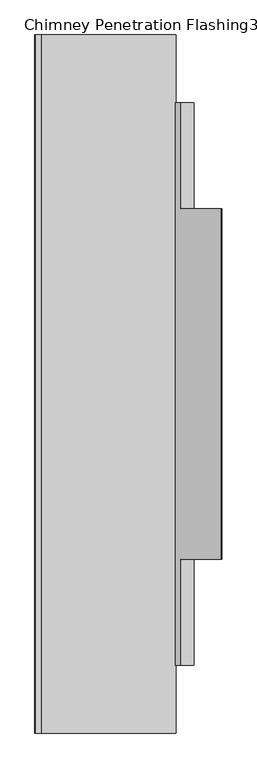
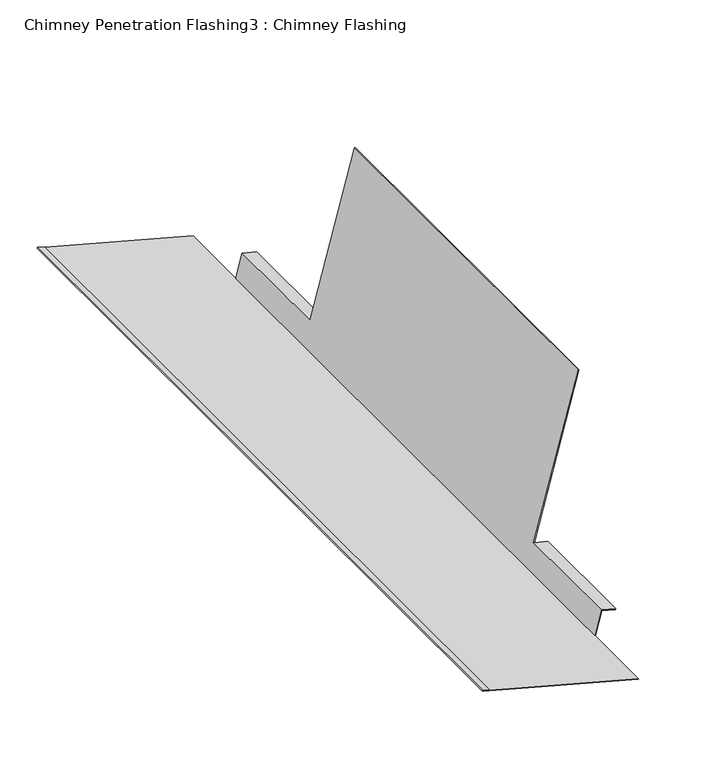
"""IFC4 building model written with IfcOpenShell, lengths in millimetres: proxy geometry, Chimney Penetration Flashing3 : Chimney Flashing."""

import ifcopenshell
import ifcopenshell.guid

model = None  # the IFC model being written
_history = None  # IfcOwnerHistory: only IFC2X3 demands one
_inside = {}  # id of a spatial element -> (the spatial element, [elements in it])
_under = {}  # id of a project, library or spatial element -> (it, [spatial elements below it])
_declared = {}  # id of a project -> (the project, [libraries it declares])
_typed = {}  # id of a type object -> (the type object, [elements of that type])
_made_of = {}  # id of a material, layer set ... -> (it, [elements and type objects made of it])


def new_model(schema):
    """Start an empty IFC model of exactly this schema.

    Asked for "IFC4X3", IfcOpenShell would pick the latest addendum, in which some entities
    have other attributes; the version numbers below select the first issue.
    IFC2X3 requires an IfcOwnerHistory on every rooted entity: one is made here for all.
    """
    global model, _history
    if schema == "IFC4X3":
        model = ifcopenshell.file(schema_version=(4, 3, 0, 0))
    else:
        model = ifcopenshell.file(schema=schema)
    _inside.clear()
    _under.clear()
    _declared.clear()
    _typed.clear()
    _made_of.clear()
    _history = None
    if model.schema == "IFC2X3":
        org = make("IfcOrganization", Name="unknown")
        user = make(
            "IfcPersonAndOrganization",
            ThePerson=make("IfcPerson", FamilyName="unknown"),
            TheOrganization=org,
        )
        app = make(
            "IfcApplication",
            ApplicationDeveloper=org,
            Version="unknown",
            ApplicationFullName="unknown",
            ApplicationIdentifier="unknown",
        )
        _history = make(
            "IfcOwnerHistory",
            OwningUser=user,
            OwningApplication=app,
            ChangeAction="ADDED",
            CreationDate=0,
        )
    return model


def make(cls, **values):
    """One entity of the class cls with the attributes given. An attribute that is None is left unset."""
    return model.create_entity(
        cls, **{name: value for name, value in values.items() if value is not None}
    )


def rooted(cls, **values):
    """An entity with a GlobalId (a new one), such as an element, a storey or a relation."""
    return make(cls, GlobalId=ifcopenshell.guid.new(), OwnerHistory=_history, **values)


def si_unit(unit_type, name, prefix=None):
    """IfcSIUnit, for example si_unit("LENGTHUNIT", "METRE", prefix="MILLI")."""
    return make("IfcSIUnit", UnitType=unit_type, Prefix=prefix, Name=name)


def assignment(units):
    """IfcUnitAssignment: the units of a project."""
    return None if units is None else make("IfcUnitAssignment", Units=units)


def point(xyz):
    """IfcCartesianPoint."""
    return None if xyz is None else make("IfcCartesianPoint", Coordinates=xyz)


def direction(xyz):
    """IfcDirection."""
    return None if xyz is None else make("IfcDirection", DirectionRatios=xyz)


def frame(location, z_axis=None, x_axis=None):
    """IfcAxis2Placement3D, a coordinate frame: its origin and axes. An axis left out is left unset."""
    return make(
        "IfcAxis2Placement3D",
        Location=point(location),
        Axis=direction(z_axis),
        RefDirection=direction(x_axis),
    )


def origin():
    """The frame at (0, 0, 0) with its axes left unset."""
    return frame((0.0, 0.0, 0.0))


def place(relative_to, where):
    """IfcLocalPlacement: puts the frame where relative to a parent placement (None: the world)."""
    return make(
        "IfcLocalPlacement", PlacementRelTo=relative_to, RelativePlacement=where
    )


def context(
    kind, dimensions, precision=None, world=None, true_north=None, identifier=None
):
    """IfcGeometricRepresentationContext, for example the 3D "Model" context."""
    return make(
        "IfcGeometricRepresentationContext",
        ContextIdentifier=identifier,
        ContextType=kind,
        CoordinateSpaceDimension=dimensions,
        Precision=precision,
        WorldCoordinateSystem=world,
        TrueNorth=true_north,
    )


def project(units=None, contexts=None):
    """IfcProject with its units and contexts."""
    return rooted(
        "IfcProject",
        Name="project",
        RepresentationContexts=contexts,
        UnitsInContext=assignment(units),
    )


def spatial(cls, under=None, at=None, **own):
    """A site, building, storey or space (cls), placed at a placement, below another one or the project."""
    s = rooted(cls, ObjectPlacement=at, **own)
    if under is not None:
        _under.setdefault(under.id(), (under, []))[1].append(s)
    return s


def circle_curve(where, radius):
    """IfcCircle in the frame where."""
    return make("IfcCircle", Position=where, Radius=radius)


def shape(context_of_items, identifier, shape_type, items):
    """IfcShapeRepresentation: the items that make up one representation, for example the "Body"."""
    return make(
        "IfcShapeRepresentation",
        ContextOfItems=context_of_items,
        RepresentationIdentifier=identifier,
        RepresentationType=shape_type,
        Items=items,
    )


def source(mapping_origin, context_of_items, identifier, shape_type, items):
    """IfcRepresentationMap: a shape defined once, which mapped items show again and again."""
    return make(
        "IfcRepresentationMap",
        MappingOrigin=mapping_origin,
        MappedRepresentation=shape(context_of_items, identifier, shape_type, items),
    )


def transform(
    local_origin,
    x_axis=None,
    y_axis=None,
    z_axis=None,
    scale=None,
    scale2=None,
    scale3=None,
    uniform=True,
):
    """IfcCartesianTransformationOperator3D, or its non-uniform kind. x_axis, y_axis, z_axis: its Axis1, 2, 3."""
    if uniform:
        return make(
            "IfcCartesianTransformationOperator3D",
            Axis1=direction(x_axis),
            Axis2=direction(y_axis),
            LocalOrigin=point(local_origin),
            Scale=scale,
            Axis3=direction(z_axis),
        )
    return make(
        "IfcCartesianTransformationOperator3DnonUniform",
        Axis1=direction(x_axis),
        Axis2=direction(y_axis),
        LocalOrigin=point(local_origin),
        Scale=scale,
        Axis3=direction(z_axis),
        Scale2=scale2,
        Scale3=scale3,
    )


def mapped(mapping_source, mapping_target):
    """IfcMappedItem: shows the shape of a source again, moved by a transform."""
    return make(
        "IfcMappedItem", MappingSource=mapping_source, MappingTarget=mapping_target
    )


def made_of(thing, what):
    """Note that an element or type object is made of a material, layer set ...; save() writes the relation."""
    if what is not None:
        _made_of.setdefault(what.id(), (what, []))[1].append(thing)
    return thing


def element(
    cls,
    number,
    at=None,
    inside=None,
    cuts=None,
    type_object=None,
    material=None,
    context=None,
    identifier="Body",
    shape_type=None,
    held_by="IfcProductDefinitionShape",
    body=None,
    shapes=None,
    **own,
):
    """One element of the class cls, such as IfcWall. Its Tag is "e" and its number.

    at: its placement. inside: the storey or other place that contains it. cuts: it is an
    opening in that element (IfcRelVoidsElement). A single representation is given by context,
    identifier, shape_type and body (its items); several are given by shapes. held_by: the class
    of the entity that holds the representations. save() writes the other relations.
    """
    e = rooted(cls, Tag="e%d" % number, ObjectPlacement=at, **own)
    if body is not None:
        shapes = [shape(context, identifier, shape_type, body)]
    if shapes is not None:
        e.Representation = make(held_by, Representations=shapes)
    if inside is not None:
        _inside.setdefault(inside.id(), (inside, []))[1].append(e)
    if cuts is not None:
        rooted(
            "IfcRelVoidsElement", RelatingBuildingElement=cuts, RelatedOpeningElement=e
        )
    if type_object is not None:
        _typed.setdefault(type_object.id(), (type_object, []))[1].append(e)
    return made_of(e, material)


def aggregate(whole, parts):
    """IfcRelAggregates: a whole, such as a stair, and the parts it consists of."""
    return rooted("IfcRelAggregates", RelatingObject=whole, RelatedObjects=parts)


def save(model, path):
    """Write the relations noted so far, then the file.

    IfcRelAggregates (storeys below a building ...), IfcRelContainedInSpatialStructure (elements
    in a storey), IfcRelDefinesByType, IfcRelAssociatesMaterial and IfcRelDeclares: one each for
    every whole, place, type object, material and project.
    """
    for whole, parts in _under.values():
        aggregate(whole, parts)
    for where, things in _inside.values():
        rooted(
            "IfcRelContainedInSpatialStructure",
            RelatedElements=things,
            RelatingStructure=where,
        )
    for kind, things in _typed.values():
        rooted("IfcRelDefinesByType", RelatedObjects=things, RelatingType=kind)
    for what, things in _made_of.values():
        rooted("IfcRelAssociatesMaterial", RelatedObjects=things, RelatingMaterial=what)
    for by, libraries in _declared.values():
        rooted("IfcRelDeclares", RelatingContext=by, RelatedDefinitions=libraries)
    model.write(path)


def plane_surface(at):
    """IfcPlane: the flat surface through the origin of the frame at, square to its z axis."""
    return make("IfcPlane", Position=at)


def cylinder_surface(at, radius):
    """IfcCylindricalSurface: all points at the distance radius from the z axis of the frame at."""
    return make("IfcCylindricalSurface", Position=at, Radius=radius)


def advanced_brep(points, edges, surfaces, faces):
    """IfcAdvancedBrep: a solid bounded by faces that lie on surfaces and meet in shared edges.

    An edge is (start, end): straight between two places in points (the first is 0);
    or (start, end, curve); or (start, end, curve, False) where it runs against its curve.
    A face is (place in surfaces, loops), or (place, loops, False) where it looks against
    its surface's normal. A loop lists edges by number (the first is 1), with a minus sign
    where the edge is run from its end to its start. The first loop is the outer one.
    """
    corners = [point(p) for p in points]
    vertices = [make("IfcVertexPoint", VertexGeometry=c) for c in corners]
    made = []
    for start, end, *more in edges:
        made.append(
            make(
                "IfcEdgeCurve",
                EdgeStart=vertices[start],
                EdgeEnd=vertices[end],
                EdgeGeometry=more[0] if more else make("IfcPolyline", Points=[corners[start], corners[end]]),
                SameSense=more[1] if len(more) > 1 else True,
            )
        )
    hull = []
    for where, loops, *sense in faces:
        bounds = []
        for j, loop in enumerate(loops):
            ring = [make("IfcOrientedEdge", EdgeElement=made[abs(k) - 1], Orientation=k > 0) for k in loop]
            bounds.append(
                make(
                    "IfcFaceOuterBound" if j == 0 else "IfcFaceBound",
                    Bound=make("IfcEdgeLoop", EdgeList=ring),
                    Orientation=True,
                )
            )
        hull.append(make("IfcAdvancedFace", Bounds=bounds, FaceSurface=surfaces[where], SameSense=sense[0] if sense else True))
    return make("IfcAdvancedBrep", Outer=make("IfcClosedShell", CfsFaces=hull))


def chimney_penetration_flashing3_chimney_flashing_3cea8306(model_context):
    return source(origin(), model_context, "Body", "AdvancedBrep", [
        advanced_brep(
        [(9523.6953655, -13521.7134194, 7245.6112442), (9523.9539312, -13521.7134194, 7246.5772379), (9292.0989255, -13521.7134194, 7308.5722555), (9292.3572377, -13521.7134194, 7309.5383169), (9282.6966231, -13521.7134194, 7312.1214399), (9282.1799985, -13521.7134194, 7310.1893169), (9523.6953655, -12321.7134194, 7245.6112442), (9282.1799985, -12321.7134194, 7310.1893169), (9282.6966231, -12321.7134194, 7312.1214399), (9292.3572377, -12321.7134194, 7309.5383169), (9292.0989255, -12321.7134194, 7308.5722555), (9523.9539312, -12321.7134194, 7246.5772379), (9523.9539312, -12438.0499707, 7246.5772379), (9534.037993, -12438.0499707, 7284.2509927), (9534.037993, -12620.7134194, 7284.2509927), (9534.2965587, -12620.7134194, 7285.2169864), (9603.7658665, -12620.7134194, 7544.752255), (9603.7658665, -13222.7134194, 7544.752255), (9534.2965587, -13222.7134194, 7285.2169864), (9534.037993, -13222.7134194, 7284.2509927), (9534.037993, -13405.3768682, 7284.2509927), (9523.9539312, -13405.3768682, 7246.5772379), (9522.9878697, -13405.3768682, 7246.8355502), (9522.9878697, -12438.0499707, 7246.8355502), (9602.7998728, -13222.7134194, 7545.0108207), (9533.3306328, -13222.7134194, 7285.4758055), (9602.7998728, -12620.7134194, 7545.0108207), (9533.3306328, -12620.7134194, 7285.4758055), (9555.6457254, -13222.7134194, 7279.4964945), (9555.3871597, -13222.7134194, 7278.5305007), (9555.6457254, -13405.3768682, 7279.4964945), (9555.3871597, -13405.3768682, 7278.5305007), (9533.3306328, -12438.0499707, 7285.4758055), (9533.3306328, -13405.3768682, 7285.4758055), (9555.3871597, -12620.7134194, 7278.5305007), (9555.6457254, -12620.7134194, 7279.4964945), (9555.6457254, -12438.0499707, 7279.4964945), (9555.3871597, -12438.0499707, 7278.5305007)],
        [
            (0, 1),
            (1, 2),
            (2, 3),
            (3, 4),
            (4, 5, circle_curve(frame((9282.4383108, -13521.7134194, 7311.1553784), z_axis=(0.0, -1.0, 0.0), x_axis=(-0.49954561977112655, 0.0, -0.8662875814459544)), 1.0)),
            (5, 0),
            (6, 7),
            (7, 8, circle_curve(frame((9282.4383108, -12321.7134194, 7311.1553784), z_axis=(0.0, 1.0, 0.0), x_axis=(-0.49954561977112655, 0.0, -0.8662875814459544)), 1.0)),
            (8, 9),
            (9, 10),
            (10, 11),
            (11, 6),
            (0, 6),
            (11, 12),
            (12, 13),
            (13, 14),
            (14, 15),
            (15, 16),
            (16, 17),
            (17, 18),
            (18, 19),
            (19, 20),
            (20, 21),
            (21, 1),
            (21, 22),
            (22, 23),
            (23, 12),
            (10, 2),
            (9, 3),
            (8, 4),
            (7, 5),
            (17, 24),
            (24, 25),
            (25, 18),
            (26, 16),
            (15, 27),
            (27, 26),
            (26, 24),
            (28, 29),
            (29, 19),
            (18, 28),
            (30, 31),
            (31, 29),
            (28, 30),
            (31, 20),
            (27, 32),
            (32, 23),
            (22, 33),
            (33, 25),
            (30, 33),
            (14, 34),
            (34, 35),
            (35, 15),
            (36, 37),
            (37, 13),
            (32, 36),
            (34, 37),
            (36, 35),
        ],
        [
            plane_surface(frame((7817.0481258, -13521.7134194, 7636.9190019), z_axis=(0.0, -1.0, 0.0), x_axis=(-0.8662875814459544, 0.0, 0.49954561977112655))),
            plane_surface(frame((7817.0481258, -12321.7134194, 7636.9190019), z_axis=(0.0, 1.0, 0.0), x_axis=(-0.8662875814459544, 0.0, 0.49954561977112655))),
            plane_surface(frame((9523.6953655, -13521.7134194, 7245.6112442), z_axis=(0.9659936804777709, 0.0, -0.25856567691209587), x_axis=(0.0, 1.0, 0.0))),
            plane_surface(frame((9523.9539312, -13521.7134194, 7246.5772379), z_axis=(0.2583122909324994, 0.0, 0.9660614682064511), x_axis=(0.0, 1.0, 0.0))),
            plane_surface(frame((9292.0989255, -13521.7134194, 7308.5722555), z_axis=(0.9660614682064237, 0.0, -0.2583122909326017), x_axis=(0.0, 1.0, 0.0))),
            plane_surface(frame((9292.3572377, -13521.7134194, 7309.5383169), z_axis=(0.2583122909325091, 0.0, 0.9660614682064486), x_axis=(0.0, 1.0, 0.0))),
            cylinder_surface(frame((9282.4383108, -13521.7134194, 7311.1553784), z_axis=(0.0, -1.0, 0.0), x_axis=(-0.49954561977112655, 0.0, -0.8662875814459544)), 1.0),
            plane_surface(frame((9282.1799985, -13521.7134194, 7310.1893169), z_axis=(-0.2583122909324994, 0.0, -0.9660614682064511), x_axis=(0.0, 1.0, 0.0))),
            plane_surface(frame((7817.0481258, -13222.7134194, 7636.9190019), z_axis=(0.0, -1.0, 0.0), x_axis=(-0.8662875814459544, 0.0, 0.49954561977112655))),
            plane_surface(frame((7817.0481258, -12620.7134194, 7636.9190019), z_axis=(0.0, 1.0, 0.0), x_axis=(-0.8662875814459544, 0.0, 0.49954561977112655))),
            plane_surface(frame((9603.7658665, -13222.7134194, 7544.752255), z_axis=(0.2585656769122504, 0.0, 0.9659936804777295), x_axis=(0.0, 1.0, 0.0))),
            plane_surface(frame((7817.0481258, -13222.7134194, 7636.9190019), z_axis=(0.0, 1.0, 0.0), x_axis=(-0.8662875814459544, 0.0, 0.49954561977112655))),
            plane_surface(frame((9555.3871597, -13405.3768682, 7278.5305007), z_axis=(0.9659936804777709, 0.0, -0.25856567691209587), x_axis=(0.0, 1.0, 0.0))),
            plane_surface(frame((9534.037993, -13405.3768682, 7284.2509927), z_axis=(-0.2588190451025206, 0.0, -0.9659258262890684), x_axis=(0.0, 1.0, 0.0))),
            plane_surface(frame((9602.7998728, -13222.7134194, 7545.0108207), z_axis=(-0.9659936804777581, 0.0, 0.25856567691214355), x_axis=(0.0, 1.0, 0.0))),
            plane_surface(frame((7817.0481258, -13405.3768682, 7636.9190019), z_axis=(0.0, -1.0, 0.0), x_axis=(-0.8662875814459544, 0.0, 0.49954561977112655))),
            plane_surface(frame((9555.6457254, -13405.3768682, 7279.4964945), z_axis=(0.2588190451032082, 0.0, 0.9659258262888841), x_axis=(0.0, 1.0, 0.0))),
            plane_surface(frame((7817.0481258, -12620.7134194, 7636.9190019), z_axis=(0.0, -1.0, 0.0), x_axis=(-0.8662875814459544, 0.0, 0.49954561977112655))),
            plane_surface(frame((7817.0481258, -12438.0499707, 7636.9190019), z_axis=(0.0, 1.0, 0.0), x_axis=(-0.8662875814459544, 0.0, 0.49954561977112655))),
            plane_surface(frame((9555.3871597, -12620.7134194, 7278.5305007), z_axis=(0.9659936804777709, 0.0, -0.25856567691209587), x_axis=(0.0, 1.0, 0.0))),
            plane_surface(frame((9534.037993, -12620.7134194, 7284.2509927), z_axis=(-0.2588190451025206, 0.0, -0.9659258262890684), x_axis=(0.0, 1.0, 0.0))),
            plane_surface(frame((9555.6457254, -12620.7134194, 7279.4964945), z_axis=(0.2588190451032082, 0.0, 0.9659258262888841), x_axis=(0.0, 1.0, 0.0))),
        ],
        [
            (0, [[1, 2, 3, 4, 5, 6]]),
            (1, [[7, 8, 9, 10, 11, 12]]),
            (2, [[-1, 13, -12, 14, 15, 16, 17, 18, 19, 20, 21, 22, 23, 24]]),
            (3, [[-2, -24, 25, 26, 27, -14, -11, 28]]),
            (4, [[-3, -28, -10, 29]]),
            (5, [[-4, -29, -9, 30]]),
            (6, [[-5, -30, -8, 31]]),
            (7, [[-6, -31, -7, -13]]),
            (8, [[32, 33, 34, -20]]),
            (9, [[35, -18, 36, 37]]),
            (10, [[-32, -19, -35, 38]]),
            (11, [[39, 40, -21, 41]]),
            (12, [[42, 43, -39, 44]]),
            (13, [[45, -22, -40, -43]]),
            (14, [[-38, -37, 46, 47, -26, 48, 49, -33]]),
            (15, [[50, -48, -25, -23, -45, -42]]),
            (16, [[-50, -44, -41, -34, -49]]),
            (17, [[51, 52, 53, -17]]),
            (18, [[54, 55, -15, -27, -47, 56]]),
            (19, [[-52, 57, -54, 58]]),
            (20, [[-51, -16, -55, -57]]),
            (21, [[-56, -46, -36, -53, -58]]),
        ],
    ),
    ])


if __name__ == "__main__":
    model = new_model("IFC4")
    model_context = context("Model", 3, world=origin())
    ifc_project = project(units=[si_unit("LENGTHUNIT", "METRE", prefix="MILLI")], contexts=[model_context])
    site = spatial("IfcSite", under=ifc_project)
    building = spatial("IfcBuilding", under=site)
    placement = place(None, origin())
    chimney_penetration_flashing3_chimney_flashing_shape = chimney_penetration_flashing3_chimney_flashing_3cea8306(model_context)
    element("IfcBuildingElementProxy", 1, Name="Chimney Penetration Flashing3 : Chimney Flashing", ObjectType="Chimney Penetration Flashing3 : Chimney Flashing", at=placement, inside=building, context=model_context, shape_type="MappedRepresentation", body=[
        mapped(chimney_penetration_flashing3_chimney_flashing_shape, transform((0.0, 0.0, 0.0), x_axis=(1.0, 0.0, 0.0), y_axis=(0.0, 1.0, 0.0), z_axis=(0.0, 0.0, 1.0))),
    ])
    save(model, "model.ifc")
